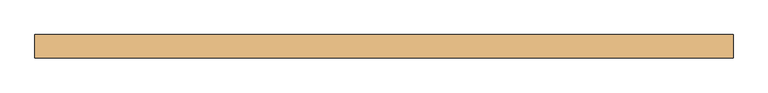
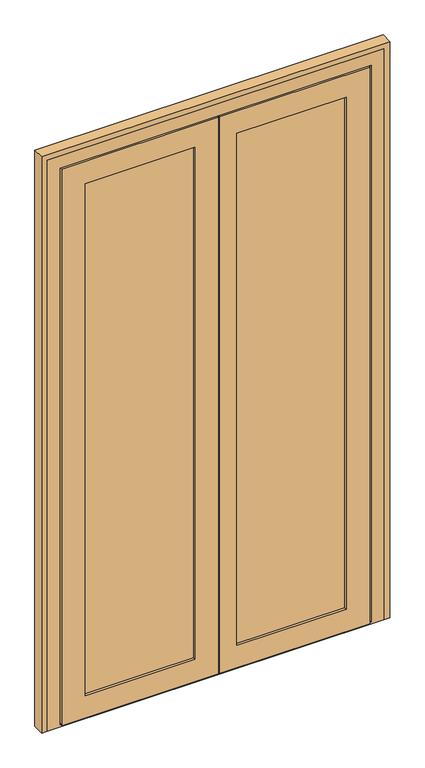
"""IFC4 building model written with IfcOpenShell, lengths in millimetres: door geometry."""

from ifc_helpers import new_model, si_unit, frame, origin, place, context, project, spatial, polyline, outline, extrude, faceted_brep, source, transform, mapped, element, save


def door_79ac31e6(model_context):
    return source(origin(), model_context, "Body", "SolidModel", [
        extrude(outline(polyline([(71.0, 91.0), (71.0, 69.5), (-343.0, 69.5), (-343.0, 91.0), (71.0, 91.0)])), frame((0.0, 0.0, 66.0), z_axis=(0.0, 0.0, 1.0), x_axis=(1.0, 0.0, 0.0)), (0.0, 0.0, 1.0), 1902.0),
        extrude(outline(polyline([(593.0, 91.0), (593.0, 69.5), (179.0, 69.5), (179.0, 91.0), (593.0, 91.0)])), frame((0.0, 0.0, 66.0), z_axis=(0.0, 0.0, 1.0), x_axis=(1.0, 0.0, 0.0)), (0.0, 0.0, 1.0), 1885.0),
        faceted_brep([(656.0, 68.0, 3.0), (656.0, 60.0, 3.0), (139.0, 60.0, 3.0), (139.0, 68.0, 3.0), (638.0, 68.0, 3.0), (638.0, 92.0, 3.0), (647.0, 92.0, 3.0), (647.0, 68.0, 3.0), (-406.0, 68.0, 3.0), (-397.0, 68.0, 3.0), (-397.0, 92.0, 3.0), (-388.0, 92.0, 3.0), (-388.0, 68.0, 3.0), (134.0, 68.0, 3.0), (134.0, 60.0, 3.0), (-406.0, 60.0, 3.0), (-406.0, 60.0, 2031.0), (-406.0, 68.0, 2031.0), (134.0, 60.0, 2031.0), (-325.0, 60.0, 1950.0), (53.0, 60.0, 1950.0), (53.0, 60.0, 84.0), (-325.0, 60.0, 84.0), (656.0, 60.0, 2031.0), (139.0, 60.0, 2031.0), (575.0, 60.0, 84.0), (197.0, 60.0, 84.0), (197.0, 60.0, 1950.0), (575.0, 60.0, 1950.0), (-325.0, 69.5, 84.0), (-325.0, 69.5, 1950.0), (593.0, 69.5, 66.0), (179.0, 69.5, 66.0), (179.0, 69.5, 1968.0), (593.0, 69.5, 1968.0), (575.0, 69.5, 1950.0), (197.0, 69.5, 1950.0), (197.0, 69.5, 84.0), (575.0, 69.5, 84.0), (-343.0, 69.5, 1968.0), (71.0, 69.5, 1968.0), (71.0, 69.5, 66.0), (-343.0, 69.5, 66.0), (53.0, 69.5, 84.0), (53.0, 69.5, 1950.0), (-343.0, 91.0, 66.0), (-343.0, 91.0, 1968.0), (593.0, 91.0, 1968.0), (179.0, 91.0, 1968.0), (179.0, 91.0, 66.0), (593.0, 91.0, 66.0), (575.0, 91.0, 84.0), (197.0, 91.0, 84.0), (197.0, 91.0, 1950.0), (575.0, 91.0, 1950.0), (71.0, 91.0, 66.0), (71.0, 91.0, 1968.0), (-325.0, 91.0, 1950.0), (53.0, 91.0, 1950.0), (53.0, 91.0, 84.0), (-325.0, 91.0, 84.0), (-325.0, 100.0, 84.0), (-325.0, 100.0, 1950.0), (-383.0, 100.0, 26.0), (-383.0, 100.0, 2008.0), (111.0, 100.0, 2008.0), (111.0, 100.0, 42.0), (116.0, 100.0, 42.0), (116.0, 100.0, 2008.0), (633.0, 100.0, 2008.0), (633.0, 100.0, 26.0), (575.0, 100.0, 1950.0), (197.0, 100.0, 1950.0), (197.0, 100.0, 84.0), (575.0, 100.0, 84.0), (53.0, 100.0, 84.0), (53.0, 100.0, 1950.0), (-383.0, 92.0, 26.0), (-383.0, 92.0, 2008.0), (638.0, 92.0, 12.0), (-388.0, 92.0, 12.0), (-397.0, 92.0, 2022.0), (647.0, 92.0, 2022.0), (111.0, 92.0, 42.0), (111.0, 92.0, 2008.0), (633.0, 92.0, 26.0), (633.0, 92.0, 2008.0), (116.0, 92.0, 2008.0), (116.0, 92.0, 42.0), (-397.0, 68.0, 2022.0), (134.0, 68.0, 2031.0), (134.0, 68.0, 2022.0), (647.0, 68.0, 2022.0), (139.0, 68.0, 2022.0), (139.0, 68.0, 2031.0), (656.0, 68.0, 2031.0), (638.0, 68.0, 12.0), (-388.0, 68.0, 12.0), (139.0, 68.0, 12.0), (134.0, 68.0, 12.0)], [[[0, 1, 2, 3, 4, 5, 6, 7]], [[8, 9, 10, 11, 12, 13, 14, 15]], [[15, 16, 17, 8]], [[15, 14, 18, 16], [19, 20, 21, 22]], [[23, 24, 2, 1], [25, 26, 27, 28]], [[19, 22, 29, 30]], [[31, 32, 33, 34], [35, 36, 37, 38]], [[39, 40, 41, 42], [29, 43, 44, 30]], [[39, 42, 45, 46]], [[47, 48, 49, 50], [51, 52, 53, 54]], [[45, 55, 56, 46], [57, 58, 59, 60]], [[57, 60, 61, 62]], [[63, 64, 65, 66, 67, 68, 69, 70], [71, 72, 73, 74], [61, 75, 76, 62]], [[64, 63, 77, 78]], [[6, 5, 79, 80, 11, 10, 81, 82], [83, 84, 78, 77, 85, 86, 87, 88]], [[9, 89, 81, 10]], [[8, 17, 90, 91, 89, 9]], [[92, 93, 94, 95, 0, 7]], [[16, 18, 90, 17]], [[95, 94, 24, 23]], [[30, 44, 20, 19]], [[28, 27, 36, 35]], [[46, 56, 40, 39]], [[34, 33, 48, 47]], [[62, 76, 58, 57]], [[54, 53, 72, 71]], [[78, 84, 65, 64]], [[69, 68, 87, 86]], [[81, 89, 91, 93, 92, 82]], [[1, 0, 95, 23]], [[35, 38, 25, 28]], [[47, 50, 31, 34]], [[71, 74, 51, 54]], [[86, 85, 70, 69]], [[82, 92, 7, 6]], [[38, 37, 26, 25]], [[22, 21, 43, 29]], [[42, 41, 55, 45]], [[50, 49, 32, 31]], [[74, 73, 52, 51]], [[60, 59, 75, 61]], [[79, 5, 4, 96]], [[97, 12, 11, 80]], [[96, 98, 99, 97, 80, 79]], [[4, 3, 98, 96]], [[97, 99, 13, 12]], [[68, 67, 88, 87]], [[72, 53, 52, 73]], [[33, 32, 49, 48]], [[36, 27, 26, 37]], [[2, 24, 94, 93, 98, 3]], [[91, 99, 98, 93]], [[13, 99, 91, 90, 18, 14]], [[43, 21, 20, 44]], [[56, 55, 41, 40]], [[75, 59, 58, 76]], [[66, 65, 84, 83]], [[85, 77, 63, 70]], [[88, 67, 66, 83]]]),
        faceted_brep([(-455.0, 100.0, 0.0), (705.0, 100.0, 0.0), (705.0, 60.0, 0.0), (-455.0, 60.0, 0.0), (-455.0, 60.0, 2080.0), (705.0, 60.0, 2080.0), (661.0, 60.0, 2036.0), (661.0, 60.0, 8.0), (139.0, 60.0, 8.0), (139.0, 60.0, 3.0), (134.0, 60.0, 3.0), (134.0, 60.0, 8.0), (-411.0, 60.0, 8.0), (-411.0, 60.0, 2036.0), (-411.0, 68.0, 8.0), (-411.0, 68.0, 2036.0), (134.0, 68.0, 8.0), (134.0, 68.0, 3.0), (139.0, 68.0, 3.0), (139.0, 68.0, 8.0), (661.0, 68.0, 8.0), (661.0, 68.0, 2036.0), (-397.0, 68.0, 2022.0), (647.0, 68.0, 2022.0), (647.0, 68.0, 12.0), (-397.0, 68.0, 12.0), (-397.0, 92.0, 12.0), (-397.0, 92.0, 2022.0), (-388.0, 92.0, 12.0), (-388.0, 92.0, 2013.0), (111.0, 92.0, 2013.0), (116.0, 92.0, 2013.0), (638.0, 92.0, 2013.0), (638.0, 92.0, 12.0), (647.0, 92.0, 12.0), (647.0, 92.0, 2022.0), (-388.0, 100.0, 12.0), (-388.0, 100.0, 2013.0), (705.0, 100.0, 2080.0), (-455.0, 100.0, 2080.0), (638.0, 100.0, 12.0), (638.0, 100.0, 2013.0), (116.0, 100.0, 2013.0), (111.0, 100.0, 2013.0)], [[[0, 1, 2, 3]], [[4, 3, 2, 5], [6, 7, 8, 9, 10, 11, 12, 13]], [[13, 12, 14, 15]], [[15, 14, 16, 17, 18, 19, 20, 21], [22, 23, 24, 25]], [[22, 25, 26, 27]], [[27, 26, 28, 29, 30, 31, 32, 33, 34, 35]], [[29, 28, 36, 37]], [[38, 1, 0, 39], [36, 40, 41, 42, 43, 37]], [[3, 4, 39, 0]], [[13, 15, 21, 6]], [[27, 35, 23, 22]], [[37, 43, 42, 41, 32, 31, 30, 29]], [[5, 38, 39, 4]], [[21, 20, 7, 6]], [[35, 34, 24, 23]], [[41, 40, 33, 32]], [[5, 2, 1, 38]], [[20, 19, 8, 7]], [[12, 11, 16, 14]], [[36, 28, 26, 25, 24, 34, 33, 40]], [[18, 17, 10, 9]], [[9, 8, 19, 18]], [[17, 16, 11, 10]]]),
        extrude(outline(polyline([(2100.0, -475.0), (0.0, -475.0), (0.0, -455.0), (2080.0, -455.0), (2080.0, 705.0), (0.0, 705.0), (0.0, 725.0), (2100.0, 725.0), (2100.0, -475.0)])), frame((0.0, 60.0, 0.0), z_axis=(0.0, 1.0, 0.0), x_axis=(0.0, 0.0, 1.0)), (0.0, 0.0, 1.0), 40.0),
    ])


if __name__ == "__main__":
    model = new_model("IFC4")
    model_context = context("Model", 3, world=origin())
    ifc_project = project(units=[si_unit("LENGTHUNIT", "METRE", prefix="MILLI")], contexts=[model_context])
    site = spatial("IfcSite", under=ifc_project)
    building = spatial("IfcBuilding", under=site)
    placement = place(None, origin())
    door_shape = door_79ac31e6(model_context)
    element("IfcDoor", 1, at=placement, inside=building, context=model_context, shape_type="MappedRepresentation", body=[
        mapped(door_shape, transform((0.0, 0.0, 0.0), x_axis=(1.0, 0.0, 0.0), y_axis=(0.0, 1.0, 0.0), z_axis=(0.0, 0.0, 1.0))),
    ])
    save(model, "model.ifc")
